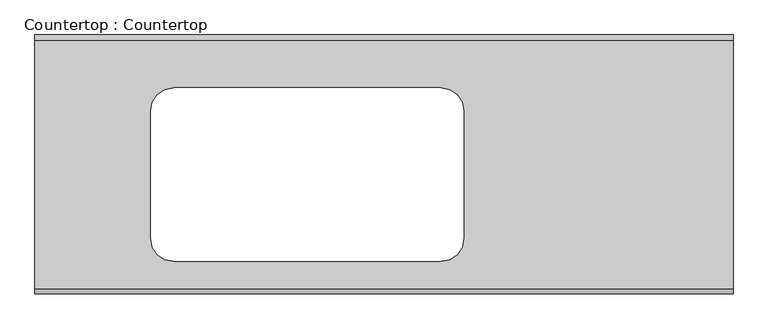
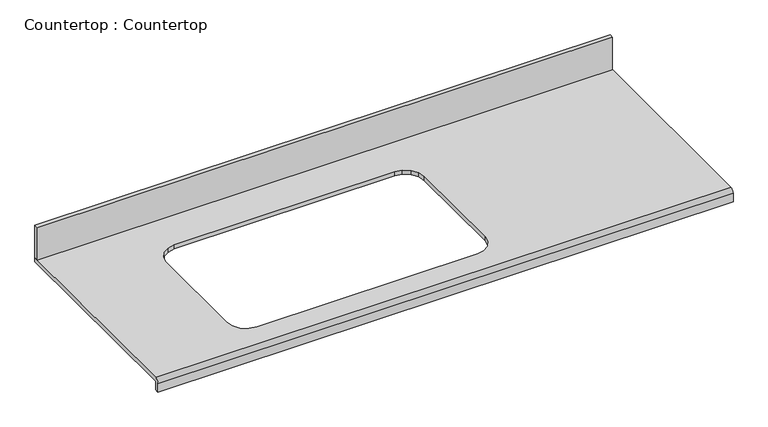
"""IFC4 building model written with IfcOpenShell, lengths in millimetres: proxy geometry, Countertop : Countertop."""

from ifc_helpers import new_model, si_unit, frame, origin, place, context, project, spatial, polyline, circle_curve, outline, extrude, source, transform, mapped, element, save
from ifc_brep_helpers import plane_surface, cylinder_surface, advanced_brep


def countertop_countertop_bdb0c4bd(model_context):
    return source(origin(), model_context, "Body", "SolidModel", [
        extrude(outline(polyline([(1712.9125, 0.0), (1712.9125, -12.7), (0.0, -12.7), (0.0, 0.0), (1712.9125, 0.0)])), frame((0.0, 0.0, 863.6), z_axis=(0.0, 0.0, 1.0), x_axis=(1.0, 0.0, 0.0)), (0.0, 0.0, 1.0), 101.6),
        advanced_brep(
        [(0.0, -622.3, 863.6), (0.0, 0.0, 863.6), (0.0, 0.0, 850.9), (0.0, -622.3, 850.9), (0.0, -622.3, 825.5), (0.0, -635.0, 825.5), (0.0, -635.0, 850.9), (1712.9125, -622.3, 863.6), (1712.9125, -635.0, 850.9), (1712.9125, -635.0, 825.5), (1712.9125, -622.3, 825.5), (1712.9125, -622.3, 850.9), (1712.9125, 0.0, 850.9), (1712.9125, 0.0, 863.6), (300.5594245, -146.7254885, 863.6), (319.1405808, -134.3099484, 863.6), (340.4331302, -130.0745959, 863.6), (995.987973, -130.0745959, 863.6), (1017.2804691, -134.3099489, 863.6), (1035.8616562, -146.7254905, 863.6), (1048.2771484, -165.3066034, 863.6), (1052.5125, -186.5991761, 863.6), (1052.5125, -499.2540165, 863.6), (1048.2771489, -520.5465591, 863.6), (1035.8616582, -539.1277271, 863.6), (1017.2804657, -551.5432437, 863.6), (995.987973, -555.7785959, 863.6), (340.4331302, -555.7785959, 863.6), (319.1405842, -551.5432441, 863.6), (300.5594226, -539.127729, 863.6), (288.1438756, -520.5465625, 863.6), (283.9085508, -499.2540124, 863.6), (283.9085508, -186.5991802, 863.6), (288.143876, -165.3066, 863.6), (319.1405808, -134.3099484, 850.9), (300.5594245, -146.7254885, 850.9), (288.143876, -165.3066, 850.9), (283.9085508, -186.5991802, 850.9), (283.9085508, -499.2540124, 850.9), (288.1438756, -520.5465625, 850.9), (300.5594226, -539.127729, 850.9), (319.1405842, -551.5432441, 850.9), (340.4331302, -555.7785959, 850.9), (995.987973, -555.7785959, 850.9), (1017.2804657, -551.5432437, 850.9), (1035.8616582, -539.1277271, 850.9), (1048.2771489, -520.5465591, 850.9), (1052.5125, -499.2540165, 850.9), (1052.5125, -186.5991761, 850.9), (1048.2771484, -165.3066034, 850.9), (1035.8616562, -146.7254905, 850.9), (1017.2804691, -134.3099489, 850.9), (995.987973, -130.0745959, 850.9), (340.4331302, -130.0745959, 850.9)],
        [
            (0, 1),
            (1, 2),
            (2, 3),
            (3, 4),
            (4, 5),
            (5, 6),
            (6, 0, circle_curve(frame((0.0, -622.3, 850.9), z_axis=(-1.0, 0.0, 0.0), x_axis=(0.0, 1.0, 0.0)), 12.7)),
            (7, 8, circle_curve(frame((1712.9125, -622.3, 850.9), z_axis=(1.0, 0.0, 0.0), x_axis=(0.0, 1.0, 0.0)), 12.7)),
            (8, 9),
            (9, 10),
            (10, 11),
            (11, 12),
            (12, 13),
            (13, 7),
            (0, 7),
            (13, 1),
            (14, 15),
            (15, 16),
            (16, 17),
            (17, 18),
            (18, 19),
            (19, 20),
            (20, 21),
            (21, 22),
            (22, 23),
            (23, 24),
            (24, 25),
            (25, 26),
            (26, 27),
            (27, 28),
            (28, 29),
            (29, 30),
            (30, 31),
            (31, 32),
            (32, 33),
            (33, 14),
            (12, 2),
            (11, 3),
            (34, 35),
            (35, 36),
            (36, 37),
            (37, 38),
            (38, 39),
            (39, 40),
            (40, 41),
            (41, 42),
            (42, 43),
            (43, 44),
            (44, 45),
            (45, 46),
            (46, 47),
            (47, 48),
            (48, 49),
            (49, 50),
            (50, 51),
            (51, 52),
            (52, 53),
            (53, 34),
            (10, 4),
            (9, 5),
            (8, 6),
            (34, 15),
            (14, 35),
            (33, 36),
            (32, 37),
            (31, 38),
            (30, 39),
            (29, 40),
            (28, 41),
            (27, 42),
            (26, 43),
            (25, 44),
            (24, 45),
            (23, 46),
            (22, 47),
            (21, 48),
            (20, 49),
            (19, 50),
            (18, 51),
            (17, 52),
            (16, 53),
        ],
        [
            plane_surface(frame((0.0, 0.0, 863.6), z_axis=(-1.0, 0.0, 0.0), x_axis=(0.0, 0.0, 1.0))),
            plane_surface(frame((1712.9125, 0.0, 863.6), z_axis=(1.0, 0.0, 0.0), x_axis=(0.0, 0.0, 1.0))),
            plane_surface(frame((0.0, -622.3, 863.6), z_axis=(0.0, 0.0, 1.0), x_axis=(1.0, 0.0, 0.0))),
            plane_surface(frame((0.0, 0.0, 863.6), z_axis=(0.0, 1.0, 0.0), x_axis=(1.0, 0.0, 0.0))),
            plane_surface(frame((0.0, 0.0, 850.9), z_axis=(0.0, 0.0, -1.0), x_axis=(1.0, 0.0, 0.0))),
            plane_surface(frame((0.0, -622.3, 850.9), z_axis=(0.0, 1.0, 0.0), x_axis=(1.0, 0.0, 0.0))),
            plane_surface(frame((0.0, -622.3, 825.5), z_axis=(0.0, 0.0, -1.0), x_axis=(1.0, 0.0, 0.0))),
            plane_surface(frame((0.0, -635.0, 825.5), z_axis=(0.0, -1.0, 0.0), x_axis=(1.0, 0.0, 0.0))),
            cylinder_surface(frame((0.0, -622.3, 850.9), z_axis=(-1.0, 0.0, 0.0), x_axis=(0.0, 1.0, 0.0)), 12.7),
            plane_surface(frame((319.1405808, -134.3099484, 928.210099), z_axis=(0.5555704946525724, -0.8314694374849242, 0.0), x_axis=(0.0, 0.0, -1.0))),
            plane_surface(frame((300.5594245, -146.7254885, 928.210099), z_axis=(0.8314686464171007, -0.5555716785666045, 0.0), x_axis=(0.0, 0.0, -1.0))),
            plane_surface(frame((288.143876, -165.3066, 928.210099), z_axis=(0.9807855650249105, -0.1950888911208609, 0.0), x_axis=(0.0, 0.0, -1.0))),
            plane_surface(frame((283.9085508, -186.5991802, 928.210099), z_axis=(1.0, 0.0, 0.0), x_axis=(0.0, 0.0, -1.0))),
            plane_surface(frame((283.9085508, -499.2540124, 928.210099), z_axis=(0.9807855162530119, 0.19508913631546243, 0.0), x_axis=(0.0, 0.0, -1.0))),
            plane_surface(frame((288.1438756, -520.5465625, 928.210099), z_axis=(0.8314694374849221, 0.5555704946525755, 0.0), x_axis=(0.0, 0.0, -1.0))),
            plane_surface(frame((300.5594226, -539.127729, 928.210099), z_axis=(0.5555696087274217, 0.8314700294409052, 0.0), x_axis=(0.0, 0.0, -1.0))),
            plane_surface(frame((319.1405842, -551.5432441, 928.210099), z_axis=(0.19509036900081717, 0.9807852710573935, 0.0), x_axis=(0.0, 0.0, -1.0))),
            plane_surface(frame((340.4331302, -555.7785959, 928.210099), z_axis=(0.0, 1.0, 0.0), x_axis=(0.0, 0.0, -1.0))),
            plane_surface(frame((995.987973, -555.7785959, 928.210099), z_axis=(-0.19509085939469806, 0.9807851735118339, 0.0), x_axis=(0.0, 0.0, -1.0))),
            plane_surface(frame((1017.2804657, -551.5432437, 928.210099), z_axis=(-0.5555690167719735, 0.8314704249719426, 0.0), x_axis=(0.0, 0.0, -1.0))),
            plane_surface(frame((1035.8616582, -539.1277271, 928.210099), z_axis=(-0.8314706213967956, 0.555568722800363, 0.0), x_axis=(0.0, 0.0, -1.0))),
            plane_surface(frame((1048.2771489, -520.5465591, 928.210099), z_axis=(-0.9807852710574041, 0.1950903690007643, 0.0), x_axis=(0.0, 0.0, -1.0))),
            plane_surface(frame((1052.5125, -499.2540165, 928.210099), z_axis=(-1.0, 0.0, 0.0), x_axis=(0.0, 0.0, -1.0))),
            plane_surface(frame((1052.5125, -186.5991761, 928.210099), z_axis=(-0.980785319829896, -0.195090123804791, 0.0), x_axis=(0.0, 0.0, -1.0))),
            plane_surface(frame((1048.2771484, -165.3066034, 928.210099), z_axis=(-0.8314698303328886, -0.5555699067139954, 0.0), x_axis=(0.0, 0.0, -1.0))),
            plane_surface(frame((1035.8616562, -146.7254905, 928.210099), z_axis=(-0.555569902697024, -0.8314698330169408, 0.0), x_axis=(0.0, 0.0, -1.0))),
            plane_surface(frame((1017.2804691, -134.3099489, 928.210099), z_axis=(-0.1950908593946922, -0.9807851735118351, 0.0), x_axis=(0.0, 0.0, -1.0))),
            plane_surface(frame((995.987973, -130.0745959, 928.210099), z_axis=(0.0, -1.0, 0.0), x_axis=(0.0, 0.0, -1.0))),
            plane_surface(frame((340.4331302, -130.0745959, 928.210099), z_axis=(0.195090369000822, -0.9807852710573927, 0.0), x_axis=(0.0, 0.0, -1.0))),
        ],
        [
            (0, [[1, 2, 3, 4, 5, 6, 7]]),
            (1, [[8, 9, 10, 11, 12, 13, 14]]),
            (2, [[-1, 15, -14, 16], [17, 18, 19, 20, 21, 22, 23, 24, 25, 26, 27, 28, 29, 30, 31, 32, 33, 34, 35, 36]]),
            (3, [[-2, -16, -13, 37]]),
            (4, [[-3, -37, -12, 38], [39, 40, 41, 42, 43, 44, 45, 46, 47, 48, 49, 50, 51, 52, 53, 54, 55, 56, 57, 58]]),
            (5, [[-4, -38, -11, 59]]),
            (6, [[-5, -59, -10, 60]]),
            (7, [[-6, -60, -9, 61]]),
            (8, [[-7, -61, -8, -15]]),
            (9, [[62, -17, 63, -39]]),
            (10, [[-63, -36, 64, -40]]),
            (11, [[-64, -35, 65, -41]]),
            (12, [[-65, -34, 66, -42]]),
            (13, [[-66, -33, 67, -43]]),
            (14, [[-67, -32, 68, -44]]),
            (15, [[-68, -31, 69, -45]]),
            (16, [[-69, -30, 70, -46]]),
            (17, [[-70, -29, 71, -47]]),
            (18, [[-71, -28, 72, -48]]),
            (19, [[-72, -27, 73, -49]]),
            (20, [[-73, -26, 74, -50]]),
            (21, [[-74, -25, 75, -51]]),
            (22, [[-75, -24, 76, -52]]),
            (23, [[-76, -23, 77, -53]]),
            (24, [[-77, -22, 78, -54]]),
            (25, [[-78, -21, 79, -55]]),
            (26, [[-79, -20, 80, -56]]),
            (27, [[81, -57, -80, -19]]),
            (28, [[-62, -58, -81, -18]]),
        ],
    ),
    ])


if __name__ == "__main__":
    model = new_model("IFC4")
    model_context = context("Model", 3, world=origin())
    ifc_project = project(units=[si_unit("LENGTHUNIT", "METRE", prefix="MILLI")], contexts=[model_context])
    site = spatial("IfcSite", under=ifc_project)
    building = spatial("IfcBuilding", under=site)
    placement = place(None, origin())
    countertop_countertop_shape = countertop_countertop_bdb0c4bd(model_context)
    element("IfcBuildingElementProxy", 1, Name="Countertop : Countertop", ObjectType="Countertop : Countertop", at=placement, inside=building, context=model_context, shape_type="MappedRepresentation", body=[
        mapped(countertop_countertop_shape, transform((0.0, 0.0, 0.0), x_axis=(1.0, 0.0, 0.0), y_axis=(0.0, 1.0, 0.0), z_axis=(0.0, 0.0, 1.0))),
    ])
    save(model, "model.ifc")
